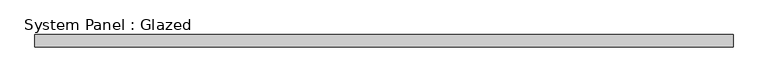
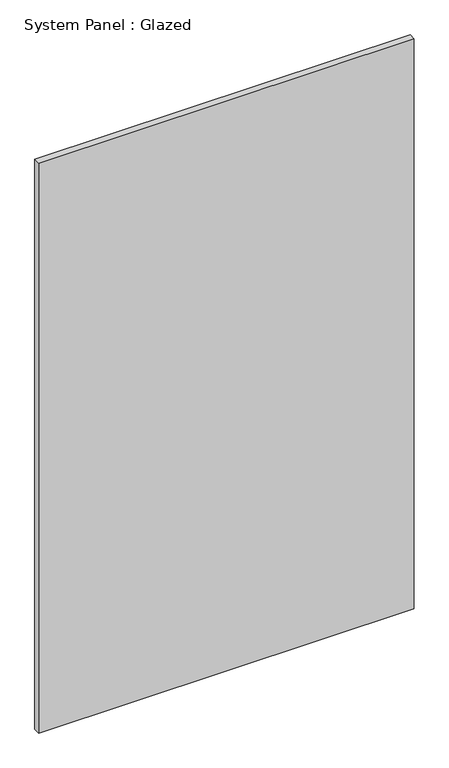
"""IFC4 building model written with IfcOpenShell, lengths in millimetres: plate geometry, System Panel : Glazed."""

from ifc_helpers import new_model, si_unit, origin, origin_with_axes, place, context, project, spatial, polyline, outline, extrude, source, transform, mapped, element, save


def system_panel_glazed_32f3d69c(model_context):
    return source(origin(), model_context, "Body", "SweptSolid", [
        extrude(outline(polyline([(730.25, -44.45), (-730.25, -44.45), (-730.25, -19.05), (730.25, -19.05), (730.25, -44.45)])), origin_with_axes(), (0.0, 0.0, 1.0), 2343.15),
    ])


if __name__ == "__main__":
    model = new_model("IFC4")
    model_context = context("Model", 3, world=origin())
    ifc_project = project(units=[si_unit("LENGTHUNIT", "METRE", prefix="MILLI")], contexts=[model_context])
    site = spatial("IfcSite", under=ifc_project)
    building = spatial("IfcBuilding", under=site)
    placement = place(None, origin())
    system_panel_glazed_shape = system_panel_glazed_32f3d69c(model_context)
    element("IfcPlate", 1, ObjectType="System Panel : Glazed", at=placement, inside=building, context=model_context, shape_type="MappedRepresentation", body=[
        mapped(system_panel_glazed_shape, transform((0.0, 0.0, 0.0), x_axis=(1.0, 0.0, 0.0), y_axis=(0.0, 1.0, 0.0), z_axis=(0.0, 0.0, 1.0))),
    ])
    save(model, "model.ifc")
